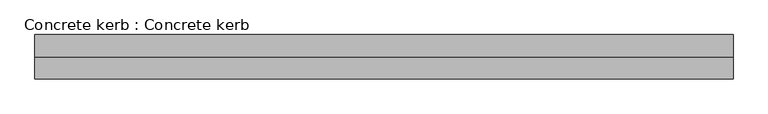
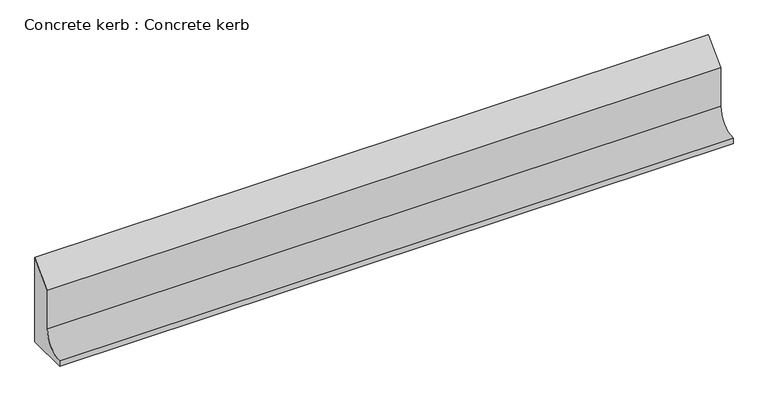
"""IFC4 building model written with IfcOpenShell, lengths in millimetres: proxy geometry, Concrete kerb : Concrete kerb."""

from ifc_helpers import new_model, si_unit, point, frame, frame_2d, origin, place, context, project, spatial, polyline, circle_curve, trimmed, segment, composite_curve, outline, extrude, source, transform, mapped, element, save


def concrete_kerb_concrete_kerb_9e6d4c73(model_context):
    return source(origin(), model_context, "Body", "SweptSolid", [
        extrude(outline(composite_curve([segment(polyline([(882.6461443, 297.0), (882.6461443, -20.0482875), (730.6461443, -20.0482875), (730.6461443, 0.0)]), True, "CONTINUOUS"), segment(trimmed(circle_curve(frame_2d((730.6461443, 75.0)), 75.0), [point((730.6461443, 0.0))], [point((805.6461443, 75.0))], True, "CARTESIAN"), True, "CONTINUOUS"), segment(polyline([(805.6461443, 75.0), (805.6461443, 220.0), (882.6461443, 297.0)]), True, "CONTINUOUS")], self_intersect=False)), frame((-5295.3690716, 0.0, 0.0), z_axis=(1.0, 0.0, 0.0), x_axis=(0.0, 1.0, 0.0)), (0.0, 0.0, 1.0), 2400.0),
    ])


if __name__ == "__main__":
    model = new_model("IFC4")
    model_context = context("Model", 3, world=origin())
    ifc_project = project(units=[si_unit("LENGTHUNIT", "METRE", prefix="MILLI")], contexts=[model_context])
    site = spatial("IfcSite", under=ifc_project)
    building = spatial("IfcBuilding", under=site)
    placement = place(None, origin())
    concrete_kerb_concrete_kerb_shape = concrete_kerb_concrete_kerb_9e6d4c73(model_context)
    element("IfcBuildingElementProxy", 1, Name="Concrete kerb : Concrete kerb", ObjectType="Concrete kerb : Concrete kerb", at=placement, inside=building, context=model_context, shape_type="MappedRepresentation", body=[
        mapped(concrete_kerb_concrete_kerb_shape, transform((0.0, 0.0, 0.0), x_axis=(1.0, 0.0, 0.0), y_axis=(0.0, 1.0, 0.0), z_axis=(0.0, 0.0, 1.0))),
    ])
    save(model, "model.ifc")
